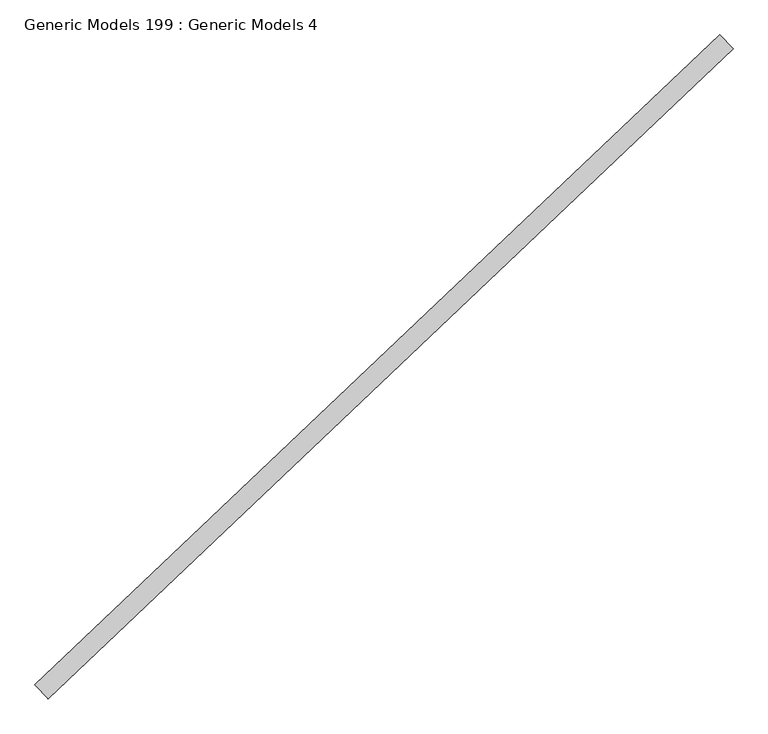
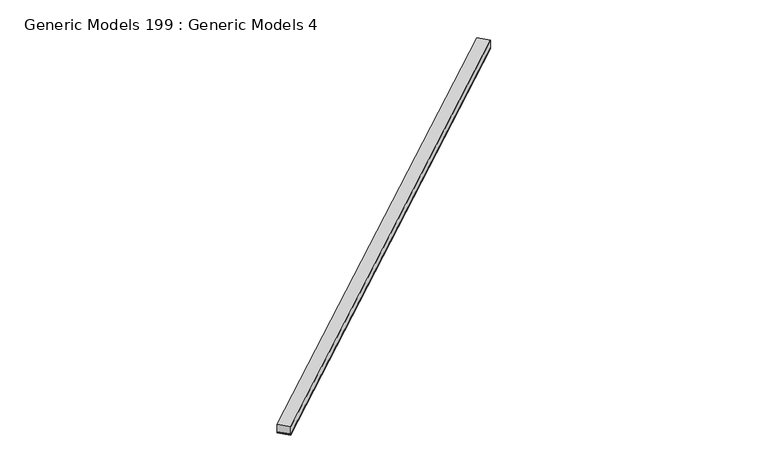
"""IFC4 building model written with IfcOpenShell, lengths in millimetres: proxy geometry, Generic Models 199 : Generic Models 4."""

from ifc_helpers import new_model, si_unit, point, frame, frame_2d, origin, place, context, project, spatial, polyline, circle_curve, trimmed, segment, composite_curve, outline, extrude, source, transform, mapped, element, save


def generic_models_199_generic_models_4_7dcbaa75(model_context):
    return source(origin(), model_context, "Body", "SweptSolid", [
        extrude(outline(composite_curve([segment(polyline([(92.075, -9.128125), (0.0, -9.128125)]), True, "CONTINUOUS"), segment(trimmed(circle_curve(frame_2d((-4.4149557, -4.5640625)), 6.35), [point((0.0, -9.128125))], [point((0.0, 0.0))], True, "CARTESIAN"), True, "CONTINUOUS"), segment(polyline([(0.0, 0.0), (92.075, 0.0)]), True, "CONTINUOUS"), segment(trimmed(circle_curve(frame_2d((96.4899556, -4.5640625)), 6.35), [point((92.075, 0.0))], [point((92.075, -9.128125))], True, "CARTESIAN"), True, "CONTINUOUS")], self_intersect=False)), frame((99763.4645275, 57298.7606646, 16901.1128084), z_axis=(0.7253743710123147, 0.6883545756937256, 0.0), x_axis=(0.6883545756937256, -0.7253743710123147, 0.0)), (0.0, 0.0, 1.0), 4530.725),
        extrude(outline(polyline([(99826.844775, 57231.9718194), (99763.4645275, 57298.7606646), (103049.9363246, 60417.5059496), (103113.3165721, 60350.7171044), (99826.844775, 57231.9718194)])), frame((0.0, 0.0, 16910.6378084), z_axis=(0.0, 0.0, 1.0), x_axis=(1.0, 0.0, 0.0)), (0.0, 0.0, 1.0), 57.15),
    ])


if __name__ == "__main__":
    model = new_model("IFC4")
    model_context = context("Model", 3, world=origin())
    ifc_project = project(units=[si_unit("LENGTHUNIT", "METRE", prefix="MILLI")], contexts=[model_context])
    site = spatial("IfcSite", under=ifc_project)
    building = spatial("IfcBuilding", under=site)
    placement = place(None, origin())
    generic_models_199_generic_models_4_shape = generic_models_199_generic_models_4_7dcbaa75(model_context)
    element("IfcBuildingElementProxy", 1, Name="Generic Models 199 : Generic Models 4", ObjectType="Generic Models 199 : Generic Models 4", at=placement, inside=building, context=model_context, shape_type="MappedRepresentation", body=[
        mapped(generic_models_199_generic_models_4_shape, transform((0.0, 0.0, 0.0), x_axis=(1.0, 0.0, 0.0), y_axis=(0.0, 1.0, 0.0), z_axis=(0.0, 0.0, 1.0))),
    ])
    save(model, "model.ifc")
